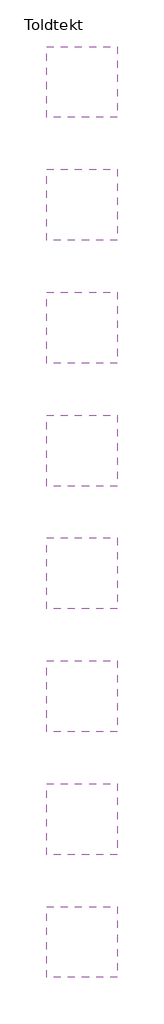
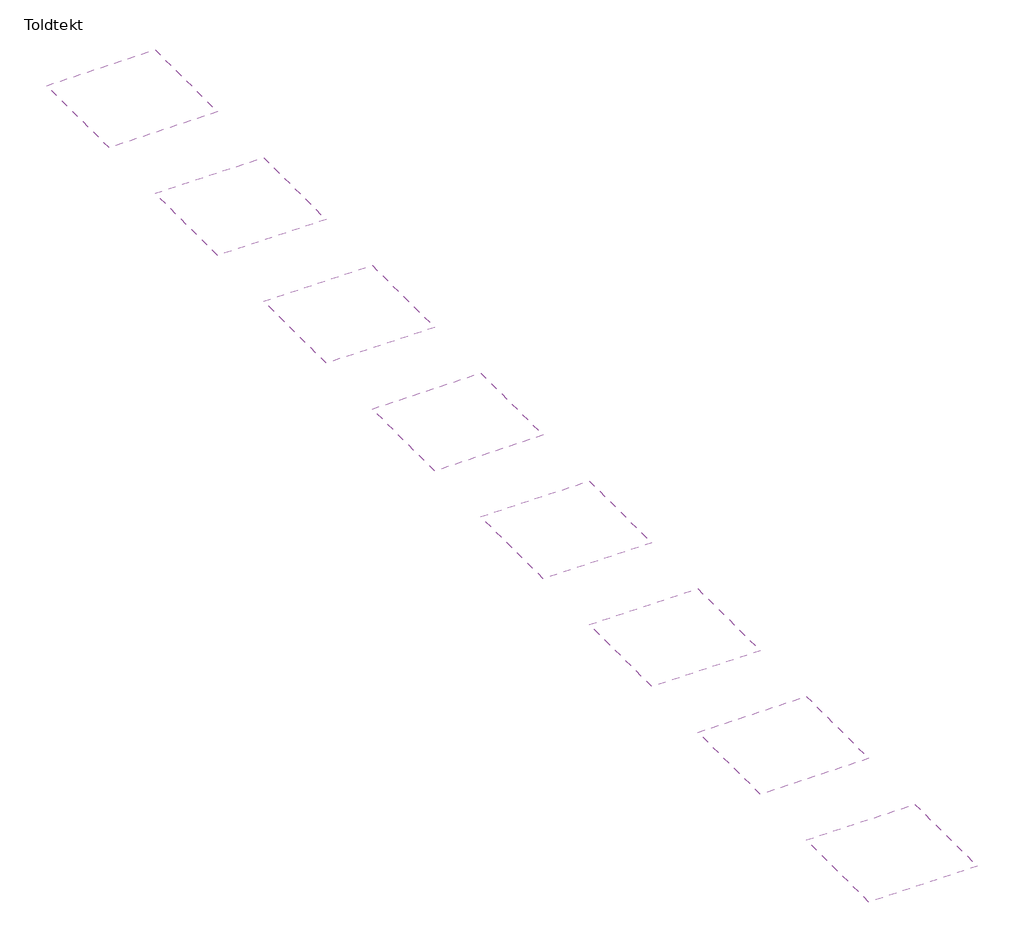
# One storey: 8 coverings.
"""IFC4 building model written with IfcOpenShell, lengths in millimetres."""

from ifc_helpers import new_model, si_unit, frame, origin, place, context, project, spatial, polyline, outline, extrude, element, save

model = new_model("IFC4")

# Units and contexts
model_context = context("Model", 3, world=origin())
ifc_project = project(units=[si_unit("LENGTHUNIT", "METRE", prefix="MILLI")], contexts=[model_context])

# Site, building, storey
site = spatial("IfcSite", under=ifc_project)
building = spatial("IfcBuilding", under=site)
storey = spatial("IfcBuildingStorey", under=building, Name="Toldtekt", Elevation=0.0)

# Coverings
placement = place(None, origin())
element("IfcCovering", 1, at=placement, inside=storey, context=model_context, shape_type="SweptSolid", body=[
    extrude(outline(polyline([(17169.5723108, 34562.9855223), (17169.5723108, 31562.9855223), (14169.5723108, 31562.9855223), (14169.5723108, 34562.9855223), (17169.5723108, 34562.9855223)])), frame((0.0, 0.0, 2600.0), z_axis=(0.0, 0.0, 1.0), x_axis=(1.0, 0.0, 0.0)), (0.0, 0.0, 1.0), 91.8),
])
element("IfcCovering", 2, at=placement, inside=storey, context=model_context, shape_type="SweptSolid", body=[
    extrude(outline(polyline([(17169.5723108, 29362.9976165), (17169.5723108, 26362.9976165), (14169.5723108, 26362.9976165), (14169.5723108, 29362.9976165), (17169.5723108, 29362.9976165)])), frame((0.0, 0.0, 2600.0), z_axis=(0.0, 0.0, 1.0), x_axis=(1.0, 0.0, 0.0)), (0.0, 0.0, 1.0), 91.8),
])
element("IfcCovering", 3, at=placement, inside=storey, context=model_context, shape_type="SweptSolid", body=[
    extrude(outline(polyline([(17169.5723108, 24163.0097108), (17169.5723108, 21163.0097108), (14169.5723108, 21163.0097108), (14169.5723108, 24163.0097108), (17169.5723108, 24163.0097108)])), frame((0.0, 0.0, 2600.0), z_axis=(0.0, 0.0, 1.0), x_axis=(1.0, 0.0, 0.0)), (0.0, 0.0, 1.0), 91.8),
])
element("IfcCovering", 4, at=placement, inside=storey, context=model_context, shape_type="SweptSolid", body=[
    extrude(outline(polyline([(17169.5723108, 13763.0338993), (17169.5723108, 10763.0338993), (14169.5723108, 10763.0338993), (14169.5723108, 13763.0338993), (17169.5723108, 13763.0338993)])), frame((0.0, 0.0, 2600.0), z_axis=(0.0, 0.0, 1.0), x_axis=(1.0, 0.0, 0.0)), (0.0, 0.0, 1.0), 91.8),
])
element("IfcCovering", 5, at=placement, inside=storey, context=model_context, shape_type="SweptSolid", body=[
    extrude(outline(polyline([(17169.5723108, 8563.0459935), (17169.5723108, 5563.0459935), (14169.5723108, 5563.0459935), (14169.5723108, 8563.0459935), (17169.5723108, 8563.0459935)])), frame((0.0, 0.0, 2600.0), z_axis=(0.0, 0.0, 1.0), x_axis=(1.0, 0.0, 0.0)), (0.0, 0.0, 1.0), 91.8),
])
element("IfcCovering", 6, at=placement, inside=storey, context=model_context, shape_type="SweptSolid", body=[
    extrude(outline(polyline([(17169.5723108, 3363.0580878), (17169.5723108, 363.0580878), (14169.5723108, 363.0580878), (14169.5723108, 3363.0580878), (17169.5723108, 3363.0580878)])), frame((0.0, 0.0, 2600.0), z_axis=(0.0, 0.0, 1.0), x_axis=(1.0, 0.0, 0.0)), (0.0, 0.0, 1.0), 91.8),
])
element("IfcCovering", 7, at=placement, inside=storey, context=model_context, shape_type="SweptSolid", body=[
    extrude(outline(polyline([(17169.5723108, 18963.021805), (17169.5723108, 15963.021805), (14169.5723108, 15963.021805), (14169.5723108, 18963.021805), (17169.5723108, 18963.021805)])), frame((0.0, 0.0, 2600.0), z_axis=(0.0, 0.0, 1.0), x_axis=(1.0, 0.0, 0.0)), (0.0, 0.0, 1.0), 91.8),
])
element("IfcCovering", 8, at=placement, inside=storey, context=model_context, shape_type="SweptSolid", body=[
    extrude(outline(polyline([(17169.5723108, -1836.929818), (17169.5723108, -4836.929818), (14169.5723108, -4836.929818), (14169.5723108, -1836.929818), (17169.5723108, -1836.929818)])), frame((0.0, 0.0, 2600.0), z_axis=(0.0, 0.0, 1.0), x_axis=(1.0, 0.0, 0.0)), (0.0, 0.0, 1.0), 91.8),
])

save(model, "model.ifc")
